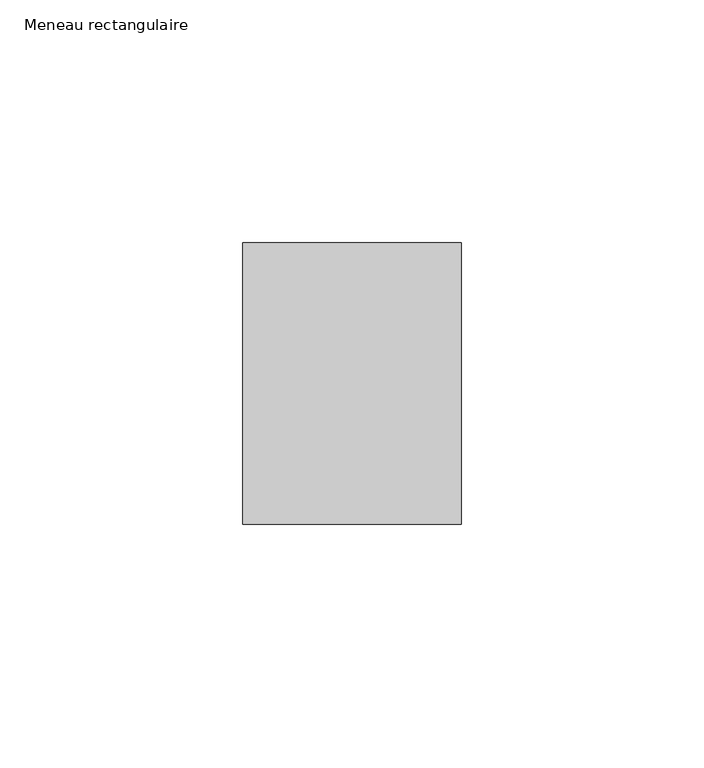
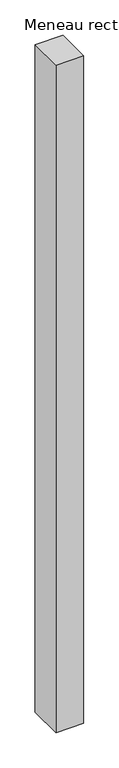
"""IFC4 building model written with IfcOpenShell, lengths in millimetres: member geometry, Meneau rectangulaire."""

from ifc_helpers import new_model, si_unit, frame, origin, place, context, project, spatial, polyline, outline, extrude, source, transform, mapped, element, save


def meneau_rectangulaire_5a5d5c4d(model_context):
    return source(origin(), model_context, "Body", "SweptSolid", [
        extrude(outline(polyline([(0.0, 29.0), (0.0, -29.0), (-45.0, -29.0), (-45.0, 29.0), (0.0, 29.0)])), frame((0.0, 0.0, -1148.1250002), z_axis=(0.0, 0.0, 1.0), x_axis=(1.0, 0.0, 0.0)), (0.0, 0.0, 1.0), 1148.1250002),
    ])


if __name__ == "__main__":
    model = new_model("IFC4")
    model_context = context("Model", 3, world=origin())
    ifc_project = project(units=[si_unit("LENGTHUNIT", "METRE", prefix="MILLI")], contexts=[model_context])
    site = spatial("IfcSite", under=ifc_project)
    building = spatial("IfcBuilding", under=site)
    placement = place(None, origin())
    meneau_rectangulaire_shape = meneau_rectangulaire_5a5d5c4d(model_context)
    element("IfcMember", 1, ObjectType="Meneau rectangulaire", at=placement, inside=building, context=model_context, shape_type="MappedRepresentation", body=[
        mapped(meneau_rectangulaire_shape, transform((0.0, 0.0, 0.0), x_axis=(1.0, 0.0, 0.0), y_axis=(0.0, 1.0, 0.0), z_axis=(0.0, 0.0, 1.0))),
    ])
    save(model, "model.ifc")
